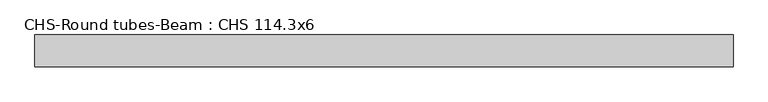
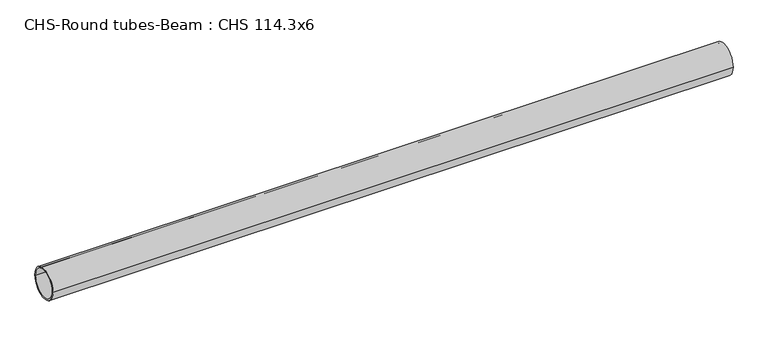
"""IFC4 building model written with IfcOpenShell, lengths in millimetres: beam geometry, CHS-Round tubes-Beam : CHS 114.3x6."""

from ifc_helpers import new_model, si_unit, point, frame, origin, origin_2d, place, context, project, spatial, circle_curve, trimmed, segment, composite_curve, outline, extrude, source, transform, mapped, element, save


def chs_round_tubes_beam_chs_114_3x6_474b9e14(model_context):
    return source(origin(), model_context, "Body", "SweptSolid", [
        extrude(outline(composite_curve([segment(trimmed(circle_curve(origin_2d(), 57.15), [point((57.15, 0.0))], [point((-57.15, 0.0))], False, "CARTESIAN"), True, "CONTINUOUS"), segment(trimmed(circle_curve(origin_2d(), 57.15), [point((-57.15, 0.0))], [point((57.15, 0.0))], False, "CARTESIAN"), True, "CONTINUOUS")], self_intersect=False), holes=[composite_curve([segment(trimmed(circle_curve(origin_2d(), 51.15), [point((51.15, 0.0))], [point((-51.15, 0.0))], True, "CARTESIAN"), True, "CONTINUOUS"), segment(trimmed(circle_curve(origin_2d(), 51.15), [point((-51.15, 0.0))], [point((51.15, 0.0))], True, "CARTESIAN"), True, "CONTINUOUS")], self_intersect=False)]), frame((-1222.0081222, 0.0, 0.0), z_axis=(1.0, 0.0, 0.0), x_axis=(0.0, 1.0, 0.0)), (0.0, 0.0, 1.0), 2497.064693),
    ])


if __name__ == "__main__":
    model = new_model("IFC4")
    model_context = context("Model", 3, world=origin())
    ifc_project = project(units=[si_unit("LENGTHUNIT", "METRE", prefix="MILLI")], contexts=[model_context])
    site = spatial("IfcSite", under=ifc_project)
    building = spatial("IfcBuilding", under=site)
    placement = place(None, origin())
    chs_round_tubes_beam_chs_114_3x6_shape = chs_round_tubes_beam_chs_114_3x6_474b9e14(model_context)
    element("IfcBeam", 1, ObjectType="CHS-Round tubes-Beam : CHS 114.3x6", at=placement, inside=building, context=model_context, shape_type="MappedRepresentation", body=[
        mapped(chs_round_tubes_beam_chs_114_3x6_shape, transform((0.0, 0.0, 0.0), x_axis=(1.0, 0.0, 0.0), y_axis=(0.0, 1.0, 0.0), z_axis=(0.0, 0.0, 1.0))),
    ])
    save(model, "model.ifc")
